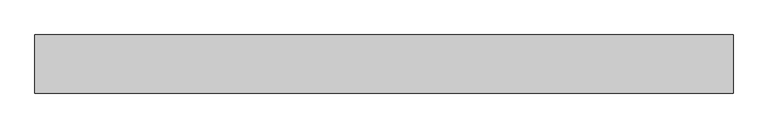
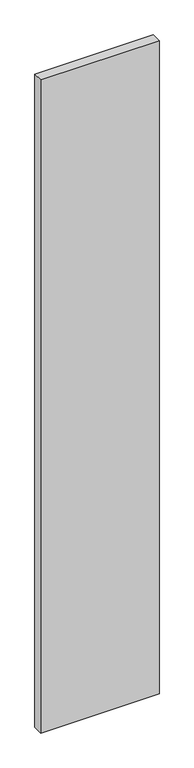
"""IFC4 building model written with IfcOpenShell, lengths in millimetres: proxy geometry."""

from ifc_helpers import new_model, si_unit, origin, origin_with_axes, place, context, project, spatial, polyline, outline, extrude, source, transform, mapped, element, save


def generic_models_693a063a(model_context):
    return source(origin(), model_context, "Body", "SweptSolid", [
        extrude(outline(polyline([(1200.0, -100.0), (0.0, -100.0), (0.0, 0.0), (1200.0, 0.0), (1200.0, -100.0)])), origin_with_axes(), (0.0, 0.0, 1.0), 7000.0),
    ])


if __name__ == "__main__":
    model = new_model("IFC4")
    model_context = context("Model", 3, world=origin())
    ifc_project = project(units=[si_unit("LENGTHUNIT", "METRE", prefix="MILLI")], contexts=[model_context])
    site = spatial("IfcSite", under=ifc_project)
    building = spatial("IfcBuilding", under=site)
    placement = place(None, origin())
    generic_models_shape = generic_models_693a063a(model_context)
    element("IfcBuildingElementProxy", 1, Name="Generic Models", at=placement, inside=building, context=model_context, shape_type="MappedRepresentation", body=[
        mapped(generic_models_shape, transform((0.0, 0.0, 0.0), x_axis=(1.0, 0.0, 0.0), y_axis=(0.0, 1.0, 0.0), z_axis=(0.0, 0.0, 1.0))),
    ])
    save(model, "model.ifc")
